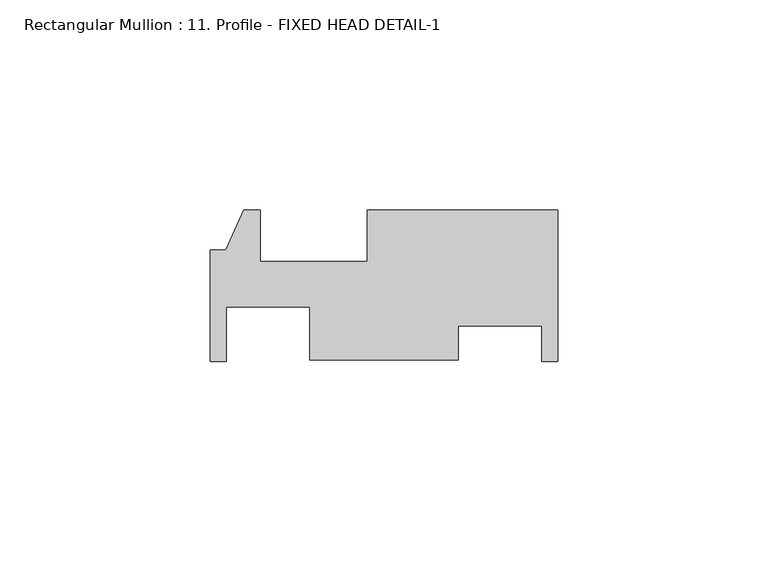
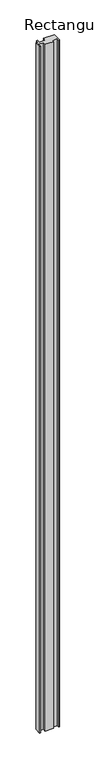
"""IFC4 building model written with IfcOpenShell, lengths in millimetres: member geometry, Rectangular Mullion : 11. Profile - FIXED HEAD DETAIL-1."""

from ifc_helpers import new_model, si_unit, frame, origin, place, context, project, spatial, polyline, outline, extrude, source, transform, mapped, element, save


def rectangular_mullion_11_profile_fixed_head_detail_1_93716e8f(model_context):
    return source(origin(), model_context, "Body", "SweptSolid", [
        extrude(outline(polyline([(0.0, -18.6308537), (-3.7338, -18.6308537), (-3.7338, -10.1546951), (-23.5712, -10.1546951), (-23.5712, -18.2851522), (-58.9788, -18.2851522), (-58.9788, -5.6598411), (-78.8162, -5.6598411), (-78.8162, -18.6308537), (-82.55, -18.6308537), (-82.55, 7.8359463), (-78.9432, 7.8359463), (-74.6252, 17.3609463), (-70.7136, 17.3609463), (-70.7136, 5.1435463), (-45.3136, 5.1435463), (-45.3136, 17.3609463), (0.0, 17.3609463), (0.0, -18.6308537)])), frame((0.0, 0.0, -3048.0), z_axis=(0.0, 0.0, 1.0), x_axis=(1.0, 0.0, 0.0)), (0.0, 0.0, 1.0), 3048.0),
    ])


if __name__ == "__main__":
    model = new_model("IFC4")
    model_context = context("Model", 3, world=origin())
    ifc_project = project(units=[si_unit("LENGTHUNIT", "METRE", prefix="MILLI")], contexts=[model_context])
    site = spatial("IfcSite", under=ifc_project)
    building = spatial("IfcBuilding", under=site)
    placement = place(None, origin())
    rectangular_mullion_11_profile_fixed_head_detail_1_shape = rectangular_mullion_11_profile_fixed_head_detail_1_93716e8f(model_context)
    element("IfcMember", 1, ObjectType="Rectangular Mullion : 11. Profile - FIXED HEAD DETAIL-1", at=placement, inside=building, context=model_context, shape_type="MappedRepresentation", body=[
        mapped(rectangular_mullion_11_profile_fixed_head_detail_1_shape, transform((0.0, 0.0, 0.0), x_axis=(1.0, 0.0, 0.0), y_axis=(0.0, 1.0, 0.0), z_axis=(0.0, 0.0, 1.0))),
    ])
    save(model, "model.ifc")
